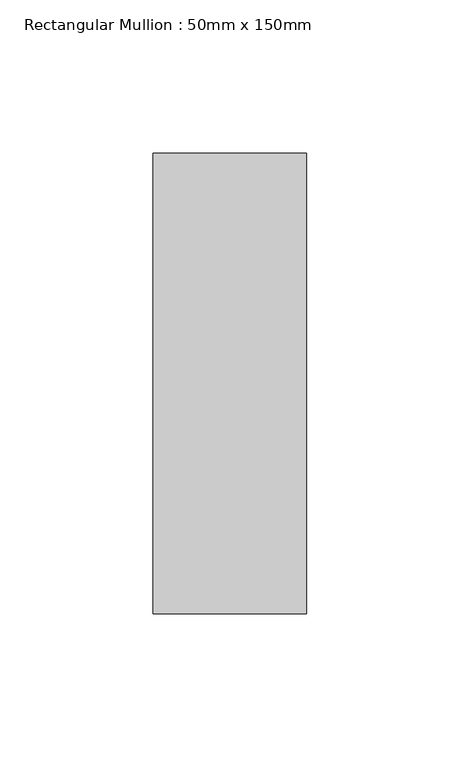
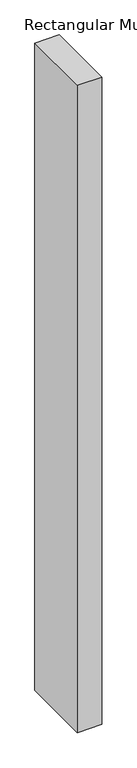
"""IFC4 building model written with IfcOpenShell, lengths in millimetres: member geometry, Rectangular Mullion : 50mm x 150mm."""

from ifc_helpers import new_model, si_unit, frame, origin, place, context, project, spatial, polyline, outline, extrude, source, transform, mapped, element, save


def rectangular_mullion_50mm_x_150mm_0352c718(model_context):
    return source(origin(), model_context, "Body", "SweptSolid", [
        extrude(outline(polyline([(0.0, 75.0), (0.0, -75.0), (-50.0, -75.0), (-50.0, 75.0), (0.0, 75.0)])), frame((0.0, 0.0, -1397.8571428), z_axis=(0.0, 0.0, 1.0), x_axis=(1.0, 0.0, 0.0)), (0.0, 0.0, 1.0), 1397.8571428),
    ])


if __name__ == "__main__":
    model = new_model("IFC4")
    model_context = context("Model", 3, world=origin())
    ifc_project = project(units=[si_unit("LENGTHUNIT", "METRE", prefix="MILLI")], contexts=[model_context])
    site = spatial("IfcSite", under=ifc_project)
    building = spatial("IfcBuilding", under=site)
    placement = place(None, origin())
    rectangular_mullion_50mm_x_150mm_shape = rectangular_mullion_50mm_x_150mm_0352c718(model_context)
    element("IfcMember", 1, ObjectType="Rectangular Mullion : 50mm x 150mm", at=placement, inside=building, context=model_context, shape_type="MappedRepresentation", body=[
        mapped(rectangular_mullion_50mm_x_150mm_shape, transform((0.0, 0.0, 0.0), x_axis=(1.0, 0.0, 0.0), y_axis=(0.0, 1.0, 0.0), z_axis=(0.0, 0.0, 1.0))),
    ])
    save(model, "model.ifc")
